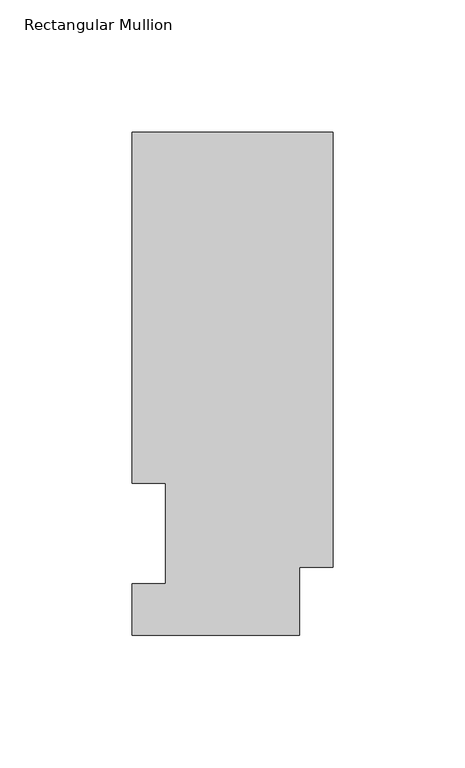
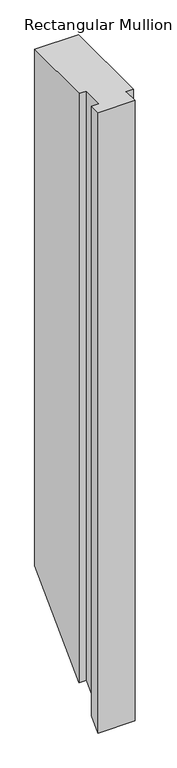
"""IFC4 building model written with IfcOpenShell, lengths in millimetres: member geometry, Rectangular Mullion."""

import ifcopenshell
import ifcopenshell.guid

model = None  # the IFC model being written
_history = None  # IfcOwnerHistory: only IFC2X3 demands one
_inside = {}  # id of a spatial element -> (the spatial element, [elements in it])
_under = {}  # id of a project, library or spatial element -> (it, [spatial elements below it])
_declared = {}  # id of a project -> (the project, [libraries it declares])
_typed = {}  # id of a type object -> (the type object, [elements of that type])
_made_of = {}  # id of a material, layer set ... -> (it, [elements and type objects made of it])


def new_model(schema):
    """Start an empty IFC model of exactly this schema.

    Asked for "IFC4X3", IfcOpenShell would pick the latest addendum, in which some entities
    have other attributes; the version numbers below select the first issue.
    IFC2X3 requires an IfcOwnerHistory on every rooted entity: one is made here for all.
    """
    global model, _history
    if schema == "IFC4X3":
        model = ifcopenshell.file(schema_version=(4, 3, 0, 0))
    else:
        model = ifcopenshell.file(schema=schema)
    _inside.clear()
    _under.clear()
    _declared.clear()
    _typed.clear()
    _made_of.clear()
    _history = None
    if model.schema == "IFC2X3":
        org = make("IfcOrganization", Name="unknown")
        user = make(
            "IfcPersonAndOrganization",
            ThePerson=make("IfcPerson", FamilyName="unknown"),
            TheOrganization=org,
        )
        app = make(
            "IfcApplication",
            ApplicationDeveloper=org,
            Version="unknown",
            ApplicationFullName="unknown",
            ApplicationIdentifier="unknown",
        )
        _history = make(
            "IfcOwnerHistory",
            OwningUser=user,
            OwningApplication=app,
            ChangeAction="ADDED",
            CreationDate=0,
        )
    return model


def make(cls, **values):
    """One entity of the class cls with the attributes given. An attribute that is None is left unset."""
    return model.create_entity(
        cls, **{name: value for name, value in values.items() if value is not None}
    )


def rooted(cls, **values):
    """An entity with a GlobalId (a new one), such as an element, a storey or a relation."""
    return make(cls, GlobalId=ifcopenshell.guid.new(), OwnerHistory=_history, **values)


def si_unit(unit_type, name, prefix=None):
    """IfcSIUnit, for example si_unit("LENGTHUNIT", "METRE", prefix="MILLI")."""
    return make("IfcSIUnit", UnitType=unit_type, Prefix=prefix, Name=name)


def assignment(units):
    """IfcUnitAssignment: the units of a project."""
    return None if units is None else make("IfcUnitAssignment", Units=units)


def point(xyz):
    """IfcCartesianPoint."""
    return None if xyz is None else make("IfcCartesianPoint", Coordinates=xyz)


def direction(xyz):
    """IfcDirection."""
    return None if xyz is None else make("IfcDirection", DirectionRatios=xyz)


def frame(location, z_axis=None, x_axis=None):
    """IfcAxis2Placement3D, a coordinate frame: its origin and axes. An axis left out is left unset."""
    return make(
        "IfcAxis2Placement3D",
        Location=point(location),
        Axis=direction(z_axis),
        RefDirection=direction(x_axis),
    )


def origin():
    """The frame at (0, 0, 0) with its axes left unset."""
    return frame((0.0, 0.0, 0.0))


def place(relative_to, where):
    """IfcLocalPlacement: puts the frame where relative to a parent placement (None: the world)."""
    return make(
        "IfcLocalPlacement", PlacementRelTo=relative_to, RelativePlacement=where
    )


def context(
    kind, dimensions, precision=None, world=None, true_north=None, identifier=None
):
    """IfcGeometricRepresentationContext, for example the 3D "Model" context."""
    return make(
        "IfcGeometricRepresentationContext",
        ContextIdentifier=identifier,
        ContextType=kind,
        CoordinateSpaceDimension=dimensions,
        Precision=precision,
        WorldCoordinateSystem=world,
        TrueNorth=true_north,
    )


def project(units=None, contexts=None):
    """IfcProject with its units and contexts."""
    return rooted(
        "IfcProject",
        Name="project",
        RepresentationContexts=contexts,
        UnitsInContext=assignment(units),
    )


def spatial(cls, under=None, at=None, **own):
    """A site, building, storey or space (cls), placed at a placement, below another one or the project."""
    s = rooted(cls, ObjectPlacement=at, **own)
    if under is not None:
        _under.setdefault(under.id(), (under, []))[1].append(s)
    return s


def faces_of(points, faces, orient=None, outer=None):
    """IfcFace entities. A face is a list of loops; a loop is a list of indices into points, from 0.

    orient and outer hold one flag for each loop. By default every Orientation is true, the
    first loop of a face is its IfcFaceOuterBound and the others are IfcFaceBound.
    """
    made = []
    for i, loops in enumerate(faces):
        bounds = []
        for j, loop in enumerate(loops):
            is_outer = j == 0 if outer is None else outer[i][j]
            bounds.append(
                make(
                    "IfcFaceOuterBound" if is_outer else "IfcFaceBound",
                    Bound=make("IfcPolyLoop", Polygon=[points[k] for k in loop]),
                    Orientation=True if orient is None else orient[i][j],
                )
            )
        made.append(make("IfcFace", Bounds=bounds))
    return made


def faceted_brep(points, faces, orient=None, outer=None, voids=None):
    """IfcFacetedBrep: a solid bounded by flat faces; with voids (closed shells), ...WithVoids."""
    shared = [point(p) for p in points]
    hull = make("IfcClosedShell", CfsFaces=faces_of(shared, faces, orient, outer))
    if voids is None:
        return make("IfcFacetedBrep", Outer=hull)
    return make(
        "IfcFacetedBrepWithVoids",
        Outer=hull,
        Voids=[
            make(cls, CfsFaces=faces_of(shared, fs, o, b)) for cls, fs, o, b in voids
        ],
    )


def shape(context_of_items, identifier, shape_type, items):
    """IfcShapeRepresentation: the items that make up one representation, for example the "Body"."""
    return make(
        "IfcShapeRepresentation",
        ContextOfItems=context_of_items,
        RepresentationIdentifier=identifier,
        RepresentationType=shape_type,
        Items=items,
    )


def source(mapping_origin, context_of_items, identifier, shape_type, items):
    """IfcRepresentationMap: a shape defined once, which mapped items show again and again."""
    return make(
        "IfcRepresentationMap",
        MappingOrigin=mapping_origin,
        MappedRepresentation=shape(context_of_items, identifier, shape_type, items),
    )


def transform(
    local_origin,
    x_axis=None,
    y_axis=None,
    z_axis=None,
    scale=None,
    scale2=None,
    scale3=None,
    uniform=True,
):
    """IfcCartesianTransformationOperator3D, or its non-uniform kind. x_axis, y_axis, z_axis: its Axis1, 2, 3."""
    if uniform:
        return make(
            "IfcCartesianTransformationOperator3D",
            Axis1=direction(x_axis),
            Axis2=direction(y_axis),
            LocalOrigin=point(local_origin),
            Scale=scale,
            Axis3=direction(z_axis),
        )
    return make(
        "IfcCartesianTransformationOperator3DnonUniform",
        Axis1=direction(x_axis),
        Axis2=direction(y_axis),
        LocalOrigin=point(local_origin),
        Scale=scale,
        Axis3=direction(z_axis),
        Scale2=scale2,
        Scale3=scale3,
    )


def mapped(mapping_source, mapping_target):
    """IfcMappedItem: shows the shape of a source again, moved by a transform."""
    return make(
        "IfcMappedItem", MappingSource=mapping_source, MappingTarget=mapping_target
    )


def made_of(thing, what):
    """Note that an element or type object is made of a material, layer set ...; save() writes the relation."""
    if what is not None:
        _made_of.setdefault(what.id(), (what, []))[1].append(thing)
    return thing


def element(
    cls,
    number,
    at=None,
    inside=None,
    cuts=None,
    type_object=None,
    material=None,
    context=None,
    identifier="Body",
    shape_type=None,
    held_by="IfcProductDefinitionShape",
    body=None,
    shapes=None,
    **own,
):
    """One element of the class cls, such as IfcWall. Its Tag is "e" and its number.

    at: its placement. inside: the storey or other place that contains it. cuts: it is an
    opening in that element (IfcRelVoidsElement). A single representation is given by context,
    identifier, shape_type and body (its items); several are given by shapes. held_by: the class
    of the entity that holds the representations. save() writes the other relations.
    """
    e = rooted(cls, Tag="e%d" % number, ObjectPlacement=at, **own)
    if body is not None:
        shapes = [shape(context, identifier, shape_type, body)]
    if shapes is not None:
        e.Representation = make(held_by, Representations=shapes)
    if inside is not None:
        _inside.setdefault(inside.id(), (inside, []))[1].append(e)
    if cuts is not None:
        rooted(
            "IfcRelVoidsElement", RelatingBuildingElement=cuts, RelatedOpeningElement=e
        )
    if type_object is not None:
        _typed.setdefault(type_object.id(), (type_object, []))[1].append(e)
    return made_of(e, material)


def aggregate(whole, parts):
    """IfcRelAggregates: a whole, such as a stair, and the parts it consists of."""
    return rooted("IfcRelAggregates", RelatingObject=whole, RelatedObjects=parts)


def save(model, path):
    """Write the relations noted so far, then the file.

    IfcRelAggregates (storeys below a building ...), IfcRelContainedInSpatialStructure (elements
    in a storey), IfcRelDefinesByType, IfcRelAssociatesMaterial and IfcRelDeclares: one each for
    every whole, place, type object, material and project.
    """
    for whole, parts in _under.values():
        aggregate(whole, parts)
    for where, things in _inside.values():
        rooted(
            "IfcRelContainedInSpatialStructure",
            RelatedElements=things,
            RelatingStructure=where,
        )
    for kind, things in _typed.values():
        rooted("IfcRelDefinesByType", RelatedObjects=things, RelatingType=kind)
    for what, things in _made_of.values():
        rooted("IfcRelAssociatesMaterial", RelatedObjects=things, RelatingMaterial=what)
    for by, libraries in _declared.values():
        rooted("IfcRelDeclares", RelatingContext=by, RelatedDefinitions=libraries)
    model.write(path)


def rectangular_mullion_5b58c337(model_context):
    return source(origin(), model_context, "Body", "Brep", [
        faceted_brep([(0.0, 190.5896937, 0.0), (-76.2, 190.5896937, 0.0), (-76.2, 57.6460937, 0.0), (-63.5127, 57.6460937, 0.0), (-63.5127, 19.5460937, 0.0), (-76.2, 19.5460937, 0.0), (-76.2, 0.0134937, 0.0), (-12.7, 0.0134937, 0.0), (-12.7, 25.8960937, 0.0), (0.0, 25.8960937, 0.0), (0.0, 190.5896937, -946.145763), (-76.2, 190.5896937, -946.145763), (-76.2, 57.6460937, -1079.089363), (-63.5127, 57.6460937, -1079.089363), (-63.5127, 19.5460937, -1117.189363), (-76.2, 19.5460937, -1117.189363), (-76.2, 0.0134937, -1136.721963), (-12.7, 0.0134937, -1136.721963), (-12.7, 25.8960937, -1110.839363), (0.0, 25.8960937, -1110.839363)], [[[0, 1, 2, 3, 4, 5, 6, 7, 8, 9]], [[1, 0, 10, 11]], [[2, 1, 11, 12]], [[3, 2, 12, 13]], [[4, 3, 13, 14]], [[5, 4, 14, 15]], [[6, 5, 15, 16]], [[7, 6, 16, 17]], [[8, 7, 17, 18]], [[9, 8, 18, 19]], [[0, 9, 19, 10]], [[10, 19, 18, 17, 16, 15, 14, 13, 12, 11]]]),
    ])


if __name__ == "__main__":
    model = new_model("IFC4")
    model_context = context("Model", 3, world=origin())
    ifc_project = project(units=[si_unit("LENGTHUNIT", "METRE", prefix="MILLI")], contexts=[model_context])
    site = spatial("IfcSite", under=ifc_project)
    building = spatial("IfcBuilding", under=site)
    placement = place(None, origin())
    rectangular_mullion_shape = rectangular_mullion_5b58c337(model_context)
    element("IfcMember", 1, ObjectType="Rectangular Mullion", at=placement, inside=building, context=model_context, shape_type="MappedRepresentation", body=[
        mapped(rectangular_mullion_shape, transform((0.0, 0.0, 0.0), x_axis=(1.0, 0.0, 0.0), y_axis=(0.0, 1.0, 0.0), z_axis=(0.0, 0.0, 1.0))),
    ])
    save(model, "model.ifc")
